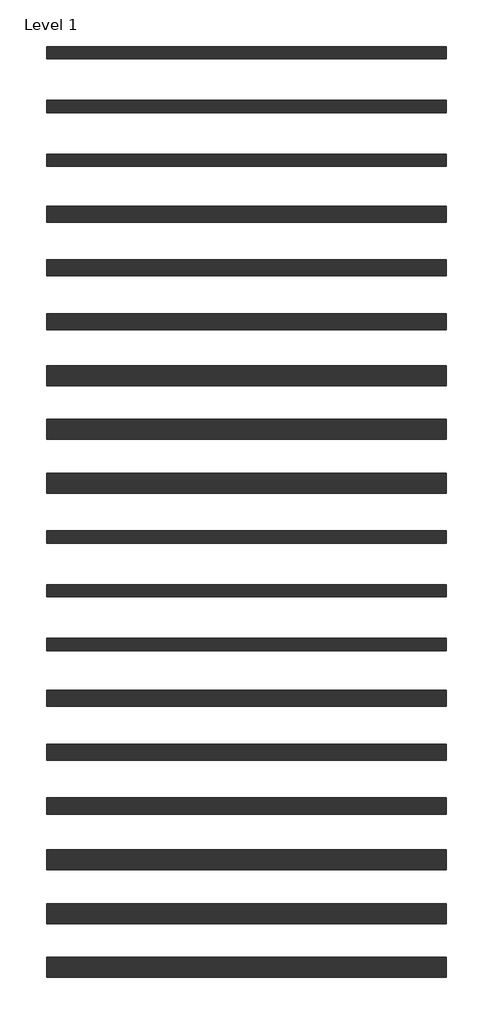
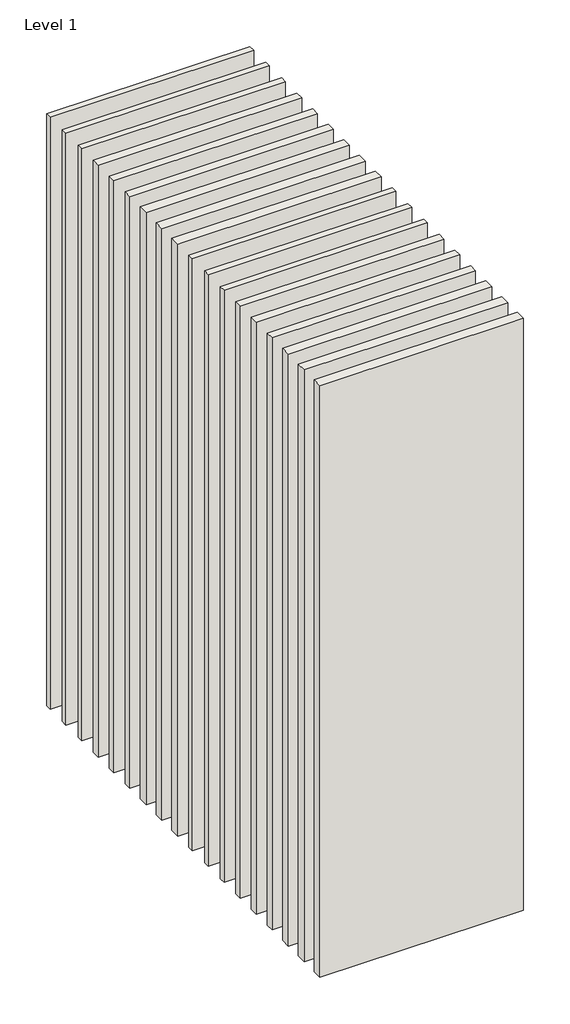
# One storey: 18 walls.
"""IFC4 building model written with IfcOpenShell, lengths in millimetres."""

from ifc_helpers import new_model, si_unit, origin, origin_with_axes, place, context, project, spatial, polyline, outline, extrude, element, save

model = new_model("IFC4")

# Units and contexts
model_context = context("Model", 3, world=origin())
ifc_project = project(units=[si_unit("LENGTHUNIT", "METRE", prefix="MILLI")], contexts=[model_context])

# Site, building, storey
site = spatial("IfcSite", under=ifc_project)
building = spatial("IfcBuilding", under=site)
storey = spatial("IfcBuildingStorey", under=building, Name="Level 1", Elevation=0.0)

# Walls
placement = place(None, origin())
element("IfcWall", 1, at=placement, inside=storey, context=model_context, shape_type="SweptSolid", body=[
    extrude(outline(polyline([(-16904.1464237, 2633.9042935), (-19504.1464237, 2633.9042935), (-19504.1464237, 2738.9042935), (-16904.1464237, 2738.9042935), (-16904.1464237, 2633.9042935)])), origin_with_axes(), (0.0, 0.0, 1.0), 8000.0),
])
element("IfcWall", 2, at=placement, inside=storey, context=model_context, shape_type="SweptSolid", body=[
    extrude(outline(polyline([(-16904.1464237, 2283.9042935), (-19504.1464237, 2283.9042935), (-19504.1464237, 2388.9042935), (-16904.1464237, 2388.9042935), (-16904.1464237, 2283.9042935)])), origin_with_axes(), (0.0, 0.0, 1.0), 8000.0),
])
element("IfcWall", 3, at=placement, inside=storey, context=model_context, shape_type="SweptSolid", body=[
    extrude(outline(polyline([(-16904.1464237, 1933.9042935), (-19504.1464237, 1933.9042935), (-19504.1464237, 2038.9042935), (-16904.1464237, 2038.9042935), (-16904.1464237, 1933.9042935)])), origin_with_axes(), (0.0, 0.0, 1.0), 8000.0),
])
element("IfcWall", 4, at=placement, inside=storey, context=model_context, shape_type="SweptSolid", body=[
    extrude(outline(polyline([(-16904.1464237, 3696.4042935), (-19504.1464237, 3696.4042935), (-19504.1464237, 3776.4042935), (-16904.1464237, 3776.4042935), (-16904.1464237, 3696.4042935)])), origin_with_axes(), (0.0, 0.0, 1.0), 8000.0),
])
element("IfcWall", 5, at=placement, inside=storey, context=model_context, shape_type="SweptSolid", body=[
    extrude(outline(polyline([(-16904.1464237, 3346.4042935), (-19504.1464237, 3346.4042935), (-19504.1464237, 3426.4042935), (-16904.1464237, 3426.4042935), (-16904.1464237, 3346.4042935)])), origin_with_axes(), (0.0, 0.0, 1.0), 8000.0),
])
element("IfcWall", 6, at=placement, inside=storey, context=model_context, shape_type="SweptSolid", body=[
    extrude(outline(polyline([(-16904.1464237, 2996.4042935), (-19504.1464237, 2996.4042935), (-19504.1464237, 3076.4042935), (-16904.1464237, 3076.4042935), (-16904.1464237, 2996.4042935)])), origin_with_axes(), (0.0, 0.0, 1.0), 8000.0),
])
element("IfcWall", 7, at=placement, inside=storey, context=model_context, shape_type="SweptSolid", body=[
    extrude(outline(polyline([(-16904.1464237, 1571.4042935), (-19504.1464237, 1571.4042935), (-19504.1464237, 1701.4042935), (-16904.1464237, 1701.4042935), (-16904.1464237, 1571.4042935)])), origin_with_axes(), (0.0, 0.0, 1.0), 8000.0),
])
element("IfcWall", 8, at=placement, inside=storey, context=model_context, shape_type="SweptSolid", body=[
    extrude(outline(polyline([(-16904.1464237, 1221.4042935), (-19504.1464237, 1221.4042935), (-19504.1464237, 1351.4042935), (-16904.1464237, 1351.4042935), (-16904.1464237, 1221.4042935)])), origin_with_axes(), (0.0, 0.0, 1.0), 8000.0),
])
element("IfcWall", 9, at=placement, inside=storey, context=model_context, shape_type="SweptSolid", body=[
    extrude(outline(polyline([(-16904.1464237, 871.4042935), (-19504.1464237, 871.4042935), (-19504.1464237, 1001.4042935), (-16904.1464237, 1001.4042935), (-16904.1464237, 871.4042935)])), origin_with_axes(), (0.0, 0.0, 1.0), 8000.0),
])
element("IfcWall", 10, at=placement, inside=storey, context=model_context, shape_type="SweptSolid", body=[
    extrude(outline(polyline([(-16904.1464237, 546.4042935), (-19504.1464237, 546.4042935), (-19504.1464237, 626.4042935), (-16904.1464237, 626.4042935), (-16904.1464237, 546.4042935)])), origin_with_axes(), (0.0, 0.0, 1.0), 8000.0),
])
element("IfcWall", 11, at=placement, inside=storey, context=model_context, shape_type="SweptSolid", body=[
    extrude(outline(polyline([(-16904.1464237, 196.4042935), (-19504.1464237, 196.4042935), (-19504.1464237, 276.4042935), (-16904.1464237, 276.4042935), (-16904.1464237, 196.4042935)])), origin_with_axes(), (0.0, 0.0, 1.0), 8000.0),
])
element("IfcWall", 12, at=placement, inside=storey, context=model_context, shape_type="SweptSolid", body=[
    extrude(outline(polyline([(-16904.1464237, -153.5957065), (-19504.1464237, -153.5957065), (-19504.1464237, -73.5957065), (-16904.1464237, -73.5957065), (-16904.1464237, -153.5957065)])), origin_with_axes(), (0.0, 0.0, 1.0), 8000.0),
])
element("IfcWall", 13, at=placement, inside=storey, context=model_context, shape_type="SweptSolid", body=[
    extrude(outline(polyline([(-16904.1464237, -516.0957065), (-19504.1464237, -516.0957065), (-19504.1464237, -411.0957065), (-16904.1464237, -411.0957065), (-16904.1464237, -516.0957065)])), origin_with_axes(), (0.0, 0.0, 1.0), 8000.0),
])
element("IfcWall", 14, at=placement, inside=storey, context=model_context, shape_type="SweptSolid", body=[
    extrude(outline(polyline([(-16904.1464237, -866.0957065), (-19504.1464237, -866.0957065), (-19504.1464237, -761.0957065), (-16904.1464237, -761.0957065), (-16904.1464237, -866.0957065)])), origin_with_axes(), (0.0, 0.0, 1.0), 8000.0),
])
element("IfcWall", 15, at=placement, inside=storey, context=model_context, shape_type="SweptSolid", body=[
    extrude(outline(polyline([(-16904.1464237, -1216.0957065), (-19504.1464237, -1216.0957065), (-19504.1464237, -1111.0957065), (-16904.1464237, -1111.0957065), (-16904.1464237, -1216.0957065)])), origin_with_axes(), (0.0, 0.0, 1.0), 8000.0),
])
element("IfcWall", 16, at=placement, inside=storey, context=model_context, shape_type="SweptSolid", body=[
    extrude(outline(polyline([(-16904.1464237, -1578.5957065), (-19504.1464237, -1578.5957065), (-19504.1464237, -1448.5957065), (-16904.1464237, -1448.5957065), (-16904.1464237, -1578.5957065)])), origin_with_axes(), (0.0, 0.0, 1.0), 8000.0),
])
element("IfcWall", 17, at=placement, inside=storey, context=model_context, shape_type="SweptSolid", body=[
    extrude(outline(polyline([(-16904.1464237, -1928.5957065), (-19504.1464237, -1928.5957065), (-19504.1464237, -1798.5957065), (-16904.1464237, -1798.5957065), (-16904.1464237, -1928.5957065)])), origin_with_axes(), (0.0, 0.0, 1.0), 8000.0),
])
element("IfcWall", 18, at=placement, inside=storey, context=model_context, shape_type="SweptSolid", body=[
    extrude(outline(polyline([(-16904.1464237, -2278.5957065), (-19504.1464237, -2278.5957065), (-19504.1464237, -2148.5957065), (-16904.1464237, -2148.5957065), (-16904.1464237, -2278.5957065)])), origin_with_axes(), (0.0, 0.0, 1.0), 8000.0),
])

save(model, "model.ifc")
